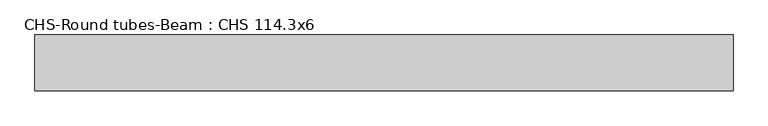
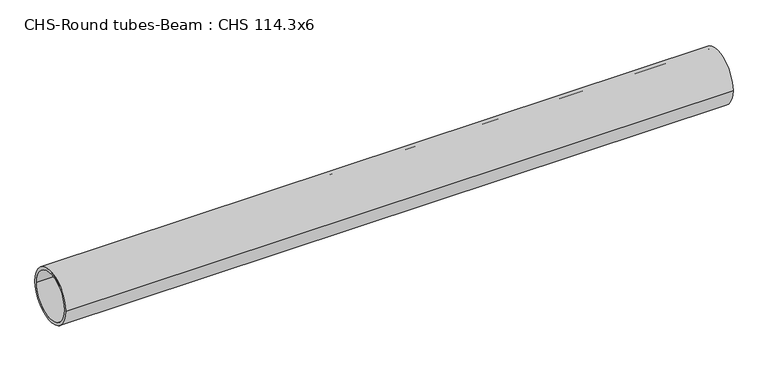
"""IFC4 building model written with IfcOpenShell, lengths in millimetres: beam geometry, CHS-Round tubes-Beam : CHS 114.3x6."""

import ifcopenshell
import ifcopenshell.guid

model = None  # the IFC model being written
_history = None  # IfcOwnerHistory: only IFC2X3 demands one
_inside = {}  # id of a spatial element -> (the spatial element, [elements in it])
_under = {}  # id of a project, library or spatial element -> (it, [spatial elements below it])
_declared = {}  # id of a project -> (the project, [libraries it declares])
_typed = {}  # id of a type object -> (the type object, [elements of that type])
_made_of = {}  # id of a material, layer set ... -> (it, [elements and type objects made of it])


def new_model(schema):
    """Start an empty IFC model of exactly this schema.

    Asked for "IFC4X3", IfcOpenShell would pick the latest addendum, in which some entities
    have other attributes; the version numbers below select the first issue.
    IFC2X3 requires an IfcOwnerHistory on every rooted entity: one is made here for all.
    """
    global model, _history
    if schema == "IFC4X3":
        model = ifcopenshell.file(schema_version=(4, 3, 0, 0))
    else:
        model = ifcopenshell.file(schema=schema)
    _inside.clear()
    _under.clear()
    _declared.clear()
    _typed.clear()
    _made_of.clear()
    _history = None
    if model.schema == "IFC2X3":
        org = make("IfcOrganization", Name="unknown")
        user = make(
            "IfcPersonAndOrganization",
            ThePerson=make("IfcPerson", FamilyName="unknown"),
            TheOrganization=org,
        )
        app = make(
            "IfcApplication",
            ApplicationDeveloper=org,
            Version="unknown",
            ApplicationFullName="unknown",
            ApplicationIdentifier="unknown",
        )
        _history = make(
            "IfcOwnerHistory",
            OwningUser=user,
            OwningApplication=app,
            ChangeAction="ADDED",
            CreationDate=0,
        )
    return model


def make(cls, **values):
    """One entity of the class cls with the attributes given. An attribute that is None is left unset."""
    return model.create_entity(
        cls, **{name: value for name, value in values.items() if value is not None}
    )


def rooted(cls, **values):
    """An entity with a GlobalId (a new one), such as an element, a storey or a relation."""
    return make(cls, GlobalId=ifcopenshell.guid.new(), OwnerHistory=_history, **values)


def si_unit(unit_type, name, prefix=None):
    """IfcSIUnit, for example si_unit("LENGTHUNIT", "METRE", prefix="MILLI")."""
    return make("IfcSIUnit", UnitType=unit_type, Prefix=prefix, Name=name)


def assignment(units):
    """IfcUnitAssignment: the units of a project."""
    return None if units is None else make("IfcUnitAssignment", Units=units)


def point(xyz):
    """IfcCartesianPoint."""
    return None if xyz is None else make("IfcCartesianPoint", Coordinates=xyz)


def direction(xyz):
    """IfcDirection."""
    return None if xyz is None else make("IfcDirection", DirectionRatios=xyz)


def frame(location, z_axis=None, x_axis=None):
    """IfcAxis2Placement3D, a coordinate frame: its origin and axes. An axis left out is left unset."""
    return make(
        "IfcAxis2Placement3D",
        Location=point(location),
        Axis=direction(z_axis),
        RefDirection=direction(x_axis),
    )


def frame_2d(location, x_axis=None):
    """IfcAxis2Placement2D, a coordinate frame in the plane: its origin and x axis."""
    return make(
        "IfcAxis2Placement2D", Location=point(location), RefDirection=direction(x_axis)
    )


def origin():
    """The frame at (0, 0, 0) with its axes left unset."""
    return frame((0.0, 0.0, 0.0))


def origin_2d():
    """The frame at (0, 0) in the plane with its x axis left unset."""
    return frame_2d((0.0, 0.0))


def place(relative_to, where):
    """IfcLocalPlacement: puts the frame where relative to a parent placement (None: the world)."""
    return make(
        "IfcLocalPlacement", PlacementRelTo=relative_to, RelativePlacement=where
    )


def context(
    kind, dimensions, precision=None, world=None, true_north=None, identifier=None
):
    """IfcGeometricRepresentationContext, for example the 3D "Model" context."""
    return make(
        "IfcGeometricRepresentationContext",
        ContextIdentifier=identifier,
        ContextType=kind,
        CoordinateSpaceDimension=dimensions,
        Precision=precision,
        WorldCoordinateSystem=world,
        TrueNorth=true_north,
    )


def project(units=None, contexts=None):
    """IfcProject with its units and contexts."""
    return rooted(
        "IfcProject",
        Name="project",
        RepresentationContexts=contexts,
        UnitsInContext=assignment(units),
    )


def spatial(cls, under=None, at=None, **own):
    """A site, building, storey or space (cls), placed at a placement, below another one or the project."""
    s = rooted(cls, ObjectPlacement=at, **own)
    if under is not None:
        _under.setdefault(under.id(), (under, []))[1].append(s)
    return s


def circle_curve(where, radius):
    """IfcCircle in the frame where."""
    return make("IfcCircle", Position=where, Radius=radius)


def trimmed(basis, trim1, trim2, sense, master):
    """IfcTrimmedCurve: the piece of a basis curve between two trims."""
    return make(
        "IfcTrimmedCurve",
        BasisCurve=basis,
        Trim1=trim1,
        Trim2=trim2,
        SenseAgreement=sense,
        MasterRepresentation=master,
    )


def segment(curve, same_sense, transition):
    """IfcCompositeCurveSegment."""
    return make(
        "IfcCompositeCurveSegment",
        Transition=transition,
        SameSense=same_sense,
        ParentCurve=curve,
    )


def composite_curve(segments, self_intersect=None):
    """IfcCompositeCurve: segments joined end to end."""
    return make("IfcCompositeCurve", Segments=segments, SelfIntersect=self_intersect)


def outline(outer, holes=None, kind="AREA"):
    """IfcArbitraryClosedProfileDef: a profile drawn as a closed curve; with holes, ...WithVoids."""
    if holes is None:
        return make("IfcArbitraryClosedProfileDef", ProfileType=kind, OuterCurve=outer)
    return make(
        "IfcArbitraryProfileDefWithVoids",
        ProfileType=kind,
        OuterCurve=outer,
        InnerCurves=holes,
    )


def extrude(swept, where, along, depth):
    """IfcExtrudedAreaSolid: the profile swept, set in the frame where, extruded along a direction by depth."""
    return make(
        "IfcExtrudedAreaSolid",
        SweptArea=swept,
        Position=where,
        ExtrudedDirection=direction(along),
        Depth=depth,
    )


def shape(context_of_items, identifier, shape_type, items):
    """IfcShapeRepresentation: the items that make up one representation, for example the "Body"."""
    return make(
        "IfcShapeRepresentation",
        ContextOfItems=context_of_items,
        RepresentationIdentifier=identifier,
        RepresentationType=shape_type,
        Items=items,
    )


def source(mapping_origin, context_of_items, identifier, shape_type, items):
    """IfcRepresentationMap: a shape defined once, which mapped items show again and again."""
    return make(
        "IfcRepresentationMap",
        MappingOrigin=mapping_origin,
        MappedRepresentation=shape(context_of_items, identifier, shape_type, items),
    )


def transform(
    local_origin,
    x_axis=None,
    y_axis=None,
    z_axis=None,
    scale=None,
    scale2=None,
    scale3=None,
    uniform=True,
):
    """IfcCartesianTransformationOperator3D, or its non-uniform kind. x_axis, y_axis, z_axis: its Axis1, 2, 3."""
    if uniform:
        return make(
            "IfcCartesianTransformationOperator3D",
            Axis1=direction(x_axis),
            Axis2=direction(y_axis),
            LocalOrigin=point(local_origin),
            Scale=scale,
            Axis3=direction(z_axis),
        )
    return make(
        "IfcCartesianTransformationOperator3DnonUniform",
        Axis1=direction(x_axis),
        Axis2=direction(y_axis),
        LocalOrigin=point(local_origin),
        Scale=scale,
        Axis3=direction(z_axis),
        Scale2=scale2,
        Scale3=scale3,
    )


def mapped(mapping_source, mapping_target):
    """IfcMappedItem: shows the shape of a source again, moved by a transform."""
    return make(
        "IfcMappedItem", MappingSource=mapping_source, MappingTarget=mapping_target
    )


def made_of(thing, what):
    """Note that an element or type object is made of a material, layer set ...; save() writes the relation."""
    if what is not None:
        _made_of.setdefault(what.id(), (what, []))[1].append(thing)
    return thing


def element(
    cls,
    number,
    at=None,
    inside=None,
    cuts=None,
    type_object=None,
    material=None,
    context=None,
    identifier="Body",
    shape_type=None,
    held_by="IfcProductDefinitionShape",
    body=None,
    shapes=None,
    **own,
):
    """One element of the class cls, such as IfcWall. Its Tag is "e" and its number.

    at: its placement. inside: the storey or other place that contains it. cuts: it is an
    opening in that element (IfcRelVoidsElement). A single representation is given by context,
    identifier, shape_type and body (its items); several are given by shapes. held_by: the class
    of the entity that holds the representations. save() writes the other relations.
    """
    e = rooted(cls, Tag="e%d" % number, ObjectPlacement=at, **own)
    if body is not None:
        shapes = [shape(context, identifier, shape_type, body)]
    if shapes is not None:
        e.Representation = make(held_by, Representations=shapes)
    if inside is not None:
        _inside.setdefault(inside.id(), (inside, []))[1].append(e)
    if cuts is not None:
        rooted(
            "IfcRelVoidsElement", RelatingBuildingElement=cuts, RelatedOpeningElement=e
        )
    if type_object is not None:
        _typed.setdefault(type_object.id(), (type_object, []))[1].append(e)
    return made_of(e, material)


def aggregate(whole, parts):
    """IfcRelAggregates: a whole, such as a stair, and the parts it consists of."""
    return rooted("IfcRelAggregates", RelatingObject=whole, RelatedObjects=parts)


def save(model, path):
    """Write the relations noted so far, then the file.

    IfcRelAggregates (storeys below a building ...), IfcRelContainedInSpatialStructure (elements
    in a storey), IfcRelDefinesByType, IfcRelAssociatesMaterial and IfcRelDeclares: one each for
    every whole, place, type object, material and project.
    """
    for whole, parts in _under.values():
        aggregate(whole, parts)
    for where, things in _inside.values():
        rooted(
            "IfcRelContainedInSpatialStructure",
            RelatedElements=things,
            RelatingStructure=where,
        )
    for kind, things in _typed.values():
        rooted("IfcRelDefinesByType", RelatedObjects=things, RelatingType=kind)
    for what, things in _made_of.values():
        rooted("IfcRelAssociatesMaterial", RelatedObjects=things, RelatingMaterial=what)
    for by, libraries in _declared.values():
        rooted("IfcRelDeclares", RelatingContext=by, RelatedDefinitions=libraries)
    model.write(path)


def chs_round_tubes_beam_chs_114_3x6_d4740996(model_context):
    return source(origin(), model_context, "Body", "SweptSolid", [
        extrude(outline(composite_curve([segment(trimmed(circle_curve(origin_2d(), 57.15), [point((57.15, 0.0))], [point((-57.15, 0.0))], False, "CARTESIAN"), True, "CONTINUOUS"), segment(trimmed(circle_curve(origin_2d(), 57.15), [point((-57.15, 0.0))], [point((57.15, 0.0))], False, "CARTESIAN"), True, "CONTINUOUS")], self_intersect=False), holes=[composite_curve([segment(trimmed(circle_curve(origin_2d(), 51.15), [point((51.15, 0.0))], [point((-51.15, 0.0))], True, "CARTESIAN"), True, "CONTINUOUS"), segment(trimmed(circle_curve(origin_2d(), 51.15), [point((-51.15, 0.0))], [point((51.15, 0.0))], True, "CARTESIAN"), True, "CONTINUOUS")], self_intersect=False)]), frame((-702.923181, 0.0, 0.0), z_axis=(1.0, 0.0, 0.0), x_axis=(0.0, 1.0, 0.0)), (0.0, 0.0, 1.0), 1425.5833468),
    ])


if __name__ == "__main__":
    model = new_model("IFC4")
    model_context = context("Model", 3, world=origin())
    ifc_project = project(units=[si_unit("LENGTHUNIT", "METRE", prefix="MILLI")], contexts=[model_context])
    site = spatial("IfcSite", under=ifc_project)
    building = spatial("IfcBuilding", under=site)
    placement = place(None, origin())
    chs_round_tubes_beam_chs_114_3x6_shape = chs_round_tubes_beam_chs_114_3x6_d4740996(model_context)
    element("IfcBeam", 1, ObjectType="CHS-Round tubes-Beam : CHS 114.3x6", at=placement, inside=building, context=model_context, shape_type="MappedRepresentation", body=[
        mapped(chs_round_tubes_beam_chs_114_3x6_shape, transform((0.0, 0.0, 0.0), x_axis=(1.0, 0.0, 0.0), y_axis=(0.0, 1.0, 0.0), z_axis=(0.0, 0.0, 1.0))),
    ])
    save(model, "model.ifc")
